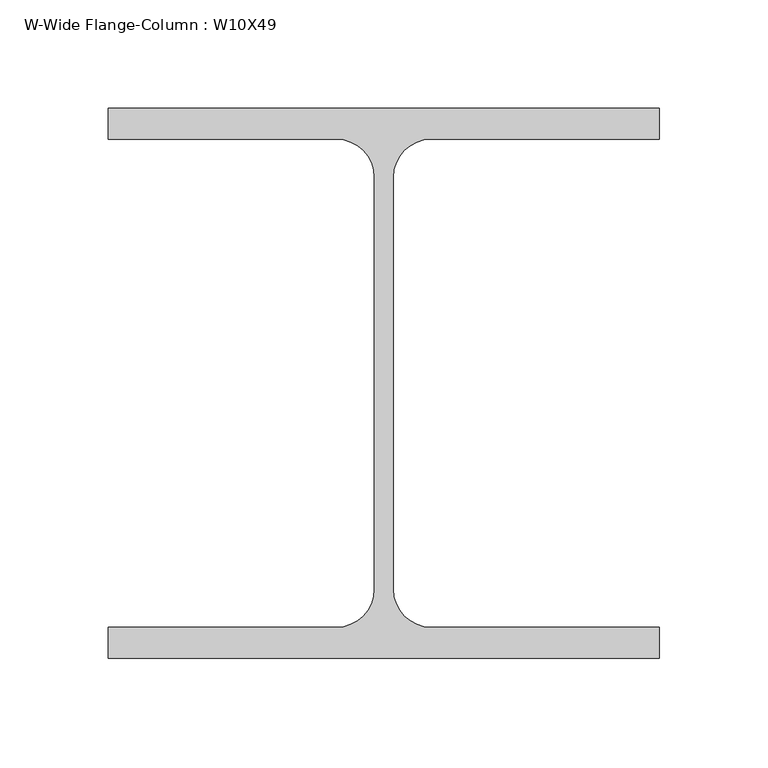
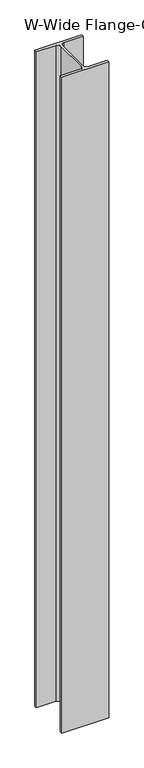
"""IFC4 building model written with IfcOpenShell, lengths in millimetres: column geometry, W-Wide Flange-Column : W10X49."""

from ifc_helpers import new_model, si_unit, point, frame, frame_2d, origin, place, context, project, spatial, polyline, circle_curve, trimmed, segment, composite_curve, outline, extrude, source, transform, mapped, element, save


def w_wide_flange_column_w10x49_01809183(model_context):
    return source(origin(), model_context, "Body", "SweptSolid", [
        extrude(outline(composite_curve([segment(polyline([(127.0, 126.7519531), (127.0, 112.5636719), (21.8777344, 112.5636719)]), True, "CONTINUOUS"), segment(trimmed(circle_curve(frame_2d((21.8777344, 95.0019531)), 17.5617188), [point((21.8777344, 112.5636719))], [point((4.3160156, 95.0019531))], True, "CARTESIAN"), True, "CONTINUOUS"), segment(polyline([(4.3160156, 95.0019531), (4.3160156, -95.0019531)]), True, "CONTINUOUS"), segment(trimmed(circle_curve(frame_2d((21.8777344, -95.0019531)), 17.5617187), [point((4.3160156, -95.0019531))], [point((21.8777344, -112.5636719))], True, "CARTESIAN"), True, "CONTINUOUS"), segment(polyline([(21.8777344, -112.5636719), (127.0, -112.5636719), (127.0, -126.7519531), (-127.0, -126.7519531), (-127.0, -112.5636719), (-21.8777344, -112.5636719)]), True, "CONTINUOUS"), segment(trimmed(circle_curve(frame_2d((-21.8777344, -95.0019531)), 17.5617187), [point((-21.8777344, -112.5636719))], [point((-4.3160156, -95.0019531))], True, "CARTESIAN"), True, "CONTINUOUS"), segment(polyline([(-4.3160156, -95.0019531), (-4.3160156, 95.0019531)]), True, "CONTINUOUS"), segment(trimmed(circle_curve(frame_2d((-21.8777344, 95.0019531)), 17.5617188), [point((-4.3160156, 95.0019531))], [point((-21.8777344, 112.5636719))], True, "CARTESIAN"), True, "CONTINUOUS"), segment(polyline([(-21.8777344, 112.5636719), (-127.0, 112.5636719), (-127.0, 126.7519531), (127.0, 126.7519531)]), True, "CONTINUOUS")], self_intersect=False)), frame((0.0, 0.0, 14160.5), z_axis=(0.0, 0.0, 1.0), x_axis=(1.0, 0.0, 0.0)), (0.0, 0.0, 1.0), 3759.2),
    ])


if __name__ == "__main__":
    model = new_model("IFC4")
    model_context = context("Model", 3, world=origin())
    ifc_project = project(units=[si_unit("LENGTHUNIT", "METRE", prefix="MILLI")], contexts=[model_context])
    site = spatial("IfcSite", under=ifc_project)
    building = spatial("IfcBuilding", under=site)
    placement = place(None, origin())
    w_wide_flange_column_w10x49_shape = w_wide_flange_column_w10x49_01809183(model_context)
    element("IfcColumn", 1, ObjectType="W-Wide Flange-Column : W10X49", at=placement, inside=building, context=model_context, shape_type="MappedRepresentation", body=[
        mapped(w_wide_flange_column_w10x49_shape, transform((0.0, 0.0, 0.0), x_axis=(1.0, 0.0, 0.0), y_axis=(0.0, 1.0, 0.0), z_axis=(0.0, 0.0, 1.0))),
    ])
    save(model, "model.ifc")
